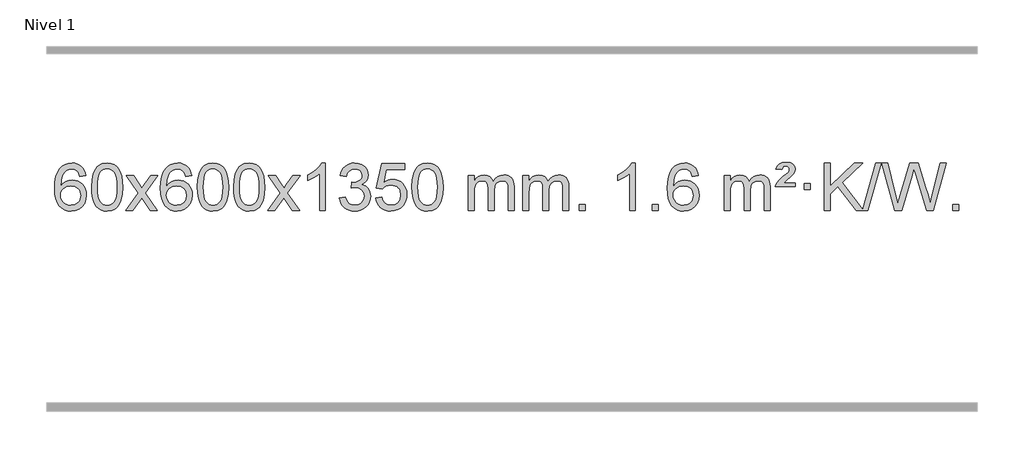
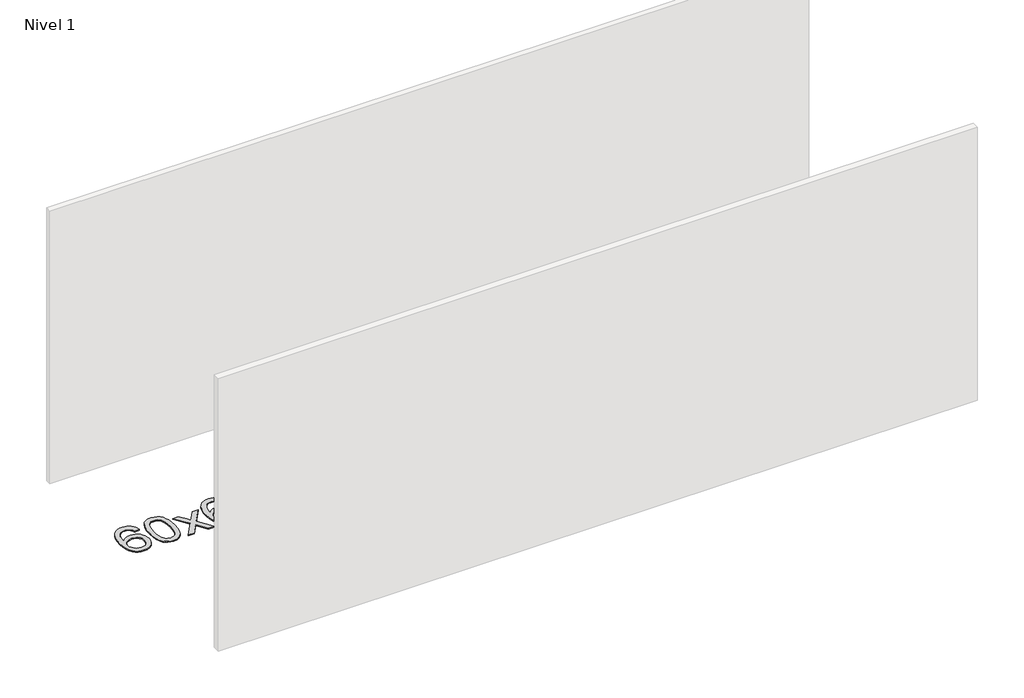
# One storey, part 7 of 8: 1 proxy.
"""IFC4 building model written with IfcOpenShell, lengths in millimetres."""

from ifc_helpers import new_model, si_unit, origin, origin_with_axes, place, context, project, spatial, polyline, outline, extrude, element, save

model = new_model("IFC4")

# Units and contexts
model_context = context("Model", 3, world=origin())
ifc_project = project(units=[si_unit("LENGTHUNIT", "METRE", prefix="MILLI")], contexts=[model_context])

# Site, building, storey
site = spatial("IfcSite", under=ifc_project)
building = spatial("IfcBuilding", under=site)
storey = spatial("IfcBuildingStorey", under=building, Name="Nivel 1", Elevation=0.0)

# Proxy
placement = place(None, origin())
element("IfcBuildingElementProxy", 1, Name="Texto de modelo 1", ObjectType="Texto de modelo 1", at=placement, inside=storey, context=model_context, shape_type="SweptSolid", body=[
    extrude(outline(polyline([(101.2495843, -96.4890419), (51.0214292, -102.7675613), (42.9280253, -77.874213), (31.9896673, -60.8780648), (9.2055091, -45.2062918), (-18.3365896, -39.9823675), (-41.6848336, -43.0235253), (-63.6596514, -52.1469988), (-82.5319978, -71.3627017), (-97.9462534, -97.8134171), (-108.3573138, -135.227016), (-112.2200748, -187.3313693), (-92.0724042, -163.8237098), (-67.9270826, -147.2567573), (-41.1330106, -137.434308), (-13.0390889, -134.1601582), (11.09397, -136.398107), (33.3630935, -143.1119534), (53.7682815, -154.3016975), (72.309534, -169.9673391), (87.7176582, -189.1769106), (98.7234613, -210.9984443), (105.3269431, -235.4319401), (107.5281037, -262.4773982), (103.3832999, -298.4439945), (90.9488884, -331.786366), (71.254939, -360.0642287), (45.331521, -380.8372987), (14.355857, -393.602804), (-20.4948306, -397.8579724), (-50.4373594, -395.0375437), (-77.4797517, -386.5762579), (-101.6220076, -372.4741147), (-122.8641272, -352.7311143), (-140.1821721, -326.5133908), (-152.5522042, -292.9870783), (-159.9742234, -252.1521768), (-162.4482298, -204.0086864), (-159.7013776, -150.0342663), (-151.4608209, -103.9693092), (-137.7265598, -65.8138149), (-118.4985942, -35.5677835), (-97.6580791, -15.5243462), (-73.4943634, -1.2076052), (-46.007447, 7.3824394), (-15.1973299, 10.2457876), (7.9363162, 8.4738227), (28.8749331, 3.1579278), (47.6185208, -5.7018969), (64.1670792, -18.1056515), (78.0730186, -33.6364031), (88.8887493, -51.8772186), (96.6142712, -72.8280983), (101.2495843, -96.4890419)]), holes=[polyline([(-112.2200748, -261.6925832), (-109.313807, -283.9494439), (-100.5950037, -305.2007605), (-87.0569463, -323.472233), (-69.6929161, -336.7895612), (-48.7359051, -344.9197533), (-24.4189053, -347.6298173), (8.7272625, -342.0134855), (22.642399, -334.9930708), (34.7855705, -325.1644901), (44.6356109, -312.9262824), (51.6713541, -298.6769865), (57.2999486, -264.1451299), (51.7449305, -230.9989621), (44.8011578, -217.3781312), (35.0798761, -205.725469), (22.8999164, -196.3904634), (8.5801097, -189.7226022), (-26.4790444, -184.3883133), (-59.5761613, -189.7226022), (-87.25315, -205.725469), (-98.1761796, -217.2248471), (-105.9783436, -230.3858254), (-110.659642, -245.2084042), (-112.2200748, -261.6925832)])]), origin_with_axes(), (0.0, 0.0, 1.0), 10.0),
    extrude(outline(polyline([(151.4777394, -193.9041943), (155.1688221, -129.5861588), (166.2420701, -78.2911459), (184.5871189, -39.2343407), (196.4451819, -24.0009605), (210.0936039, -11.6309284), (225.5783702, -2.0598651), (242.9454661, 4.7766086), (283.3266464, 10.2457876), (314.277785, 7.008426), (341.9915619, -2.7036586), (365.1681276, -18.5103217), (382.5076323, -40.0314184), (395.6042314, -67.0830078), (406.05208, -99.4811488), (412.8946851, -140.6226186), (415.1755535, -193.9041943), (411.521259, -257.8543477), (400.5583756, -309.0267333), (382.3236913, -348.1203266), (370.4932195, -363.3996922), (356.8539945, -375.8341036), (341.3508341, -385.4695462), (323.928556, -392.3520052), (283.3266464, -397.8579724), (255.6619204, -395.4667394), (231.1364541, -388.2930405), (209.7502474, -376.3368757), (191.5033004, -359.5982449), (173.9921175, -329.3399508), (161.4841296, -291.6381776), (153.9793369, -246.4929255), (151.4777394, -193.9041943)]), holes=[polyline([(201.7058944, -193.8060924), (203.1774224, -237.4706195), (207.5920064, -272.8148822), (214.9496463, -299.8388804), (225.2503421, -318.5426142), (237.709279, -331.2682656), (251.5416421, -340.3580165), (266.7474312, -345.8118671), (283.3266464, -347.6298173), (299.9058617, -345.8057357), (315.1116508, -340.3334911), (328.9440138, -331.2130833), (341.4029507, -318.4445124), (351.7036466, -299.7101217), (359.0612865, -272.6922549), (363.4758705, -237.3909118), (364.9473984, -193.8060924), (363.5249214, -151.2973278), (359.2574902, -116.5753989), (352.145105, -89.6403055), (342.1877657, -70.4920476), (329.9372952, -57.1440625), (315.9455167, -47.6097875), (300.21243, -41.8892225), (282.7380352, -39.9823675), (266.2446591, -41.6623619), (251.2963874, -46.7023452), (237.89322, -55.1023175), (226.0351571, -66.8622786), (215.3911047, -87.708925), (207.7882101, -115.8151094), (203.2264734, -151.1808319), (201.7058944, -193.8060924)])]), origin_with_axes(), (0.0, 0.0, 1.0), 10.0),
    extrude(outline(polyline([(440.2896311, -391.579453), (547.6130718, -243.2494325), (446.5681504, -96.4890419), (506.9988995, -96.4890419), (555.7555266, -167.122385), (578.5151594, -200.4770192), (598.2336343, -173.2047007), (653.7592901, -96.4890419), (714.1900392, -96.4890419), (608.0438209, -243.2494325), (710.2659646, -391.579453), (649.8352155, -391.579453), (588.3253459, -302.4048574), (577.0436314, -286.1199477), (500.7203801, -391.579453), (440.2896311, -391.579453)])), origin_with_axes(), (0.0, 0.0, 1.0), 10.0),
    extrude(outline(polyline([(999.0778563, -96.4890419), (948.8497012, -102.7675613), (940.7562973, -77.874213), (929.8179393, -60.8780648), (907.0337811, -45.2062918), (879.4916824, -39.9823675), (856.1434384, -43.0235253), (834.1686206, -52.1469988), (815.2962742, -71.3627017), (799.8820186, -97.8134171), (789.4709581, -135.227016), (785.6081972, -187.3313693), (805.7558678, -163.8237098), (829.9011894, -147.2567573), (856.6952614, -137.434308), (884.7891831, -134.1601582), (908.922242, -136.398107), (931.1913654, -143.1119534), (951.5965534, -154.3016975), (970.137806, -169.9673391), (985.5459302, -189.1769106), (996.5517332, -210.9984443), (1003.155215, -235.4319401), (1005.3563756, -262.4773982), (1001.2115718, -298.4439945), (988.7771604, -331.786366), (969.0832109, -360.0642287), (943.159793, -380.8372987), (912.184129, -393.602804), (877.3334413, -397.8579724), (847.3909126, -395.0375437), (820.3485203, -386.5762579), (796.2062643, -372.4741147), (774.9641448, -352.7311143), (757.6460999, -326.5133908), (745.2760678, -292.9870783), (737.8540485, -252.1521768), (735.3800421, -204.0086864), (738.1268943, -150.0342663), (746.367451, -103.9693092), (760.1017122, -65.8138149), (779.3296778, -35.5677835), (800.1701928, -15.5243462), (824.3339085, -1.2076052), (851.820825, 7.3824394), (882.6309421, 10.2457876), (905.7645882, 8.4738227), (926.7032051, 3.1579278), (945.4467927, -5.7018969), (961.9953511, -18.1056515), (975.9012906, -33.6364031), (986.7170212, -51.8772186), (994.4425431, -72.8280983), (999.0778563, -96.4890419)]), holes=[polyline([(785.6081972, -261.6925832), (788.514465, -283.9494439), (797.2332682, -305.2007605), (810.7713257, -323.472233), (828.1353558, -336.7895612), (849.0923668, -344.9197533), (873.4093667, -347.6298173), (906.5555345, -342.0134855), (920.4706709, -334.9930708), (932.6138425, -325.1644901), (942.4638829, -312.9262824), (949.499626, -298.6769865), (955.1282206, -264.1451299), (949.5732024, -230.9989621), (942.6294298, -217.3781312), (932.9081481, -205.725469), (920.7281883, -196.3904634), (906.4083817, -189.7226022), (871.3492275, -184.3883133), (838.2521107, -189.7226022), (810.5751219, -205.725469), (799.6520924, -217.2248471), (791.8499284, -230.3858254), (787.16863, -245.2084042), (785.6081972, -261.6925832)])]), origin_with_axes(), (0.0, 0.0, 1.0), 10.0),
    extrude(outline(polyline([(1049.3060113, -193.9041943), (1052.997094, -129.5861588), (1064.0703421, -78.2911459), (1082.4153909, -39.2343407), (1094.2734539, -24.0009605), (1107.9218759, -11.6309284), (1123.4066422, -2.0598651), (1140.7737381, 4.7766086), (1181.1549184, 10.2457876), (1212.1060569, 7.008426), (1239.8198339, -2.7036586), (1262.9963996, -18.5103217), (1280.3359043, -40.0314184), (1293.4325033, -67.0830078), (1303.880352, -99.4811488), (1310.7229571, -140.6226186), (1313.0038255, -193.9041943), (1309.349531, -257.8543477), (1298.3866475, -309.0267333), (1280.1519633, -348.1203266), (1268.3214915, -363.3996922), (1254.6822665, -375.8341036), (1239.1791061, -385.4695462), (1221.7568279, -392.3520052), (1181.1549184, -397.8579724), (1153.4901924, -395.4667394), (1128.964726, -388.2930405), (1107.5785194, -376.3368757), (1089.3315724, -359.5982449), (1071.8203894, -329.3399508), (1059.3124016, -291.6381776), (1051.8076089, -246.4929255), (1049.3060113, -193.9041943)]), holes=[polyline([(1099.5341664, -193.8060924), (1101.0056944, -237.4706195), (1105.4202783, -272.8148822), (1112.7779182, -299.8388804), (1123.0786141, -318.5426142), (1135.537551, -331.2682656), (1149.369914, -340.3580165), (1164.5757032, -345.8118671), (1181.1549184, -347.6298173), (1197.7341337, -345.8057357), (1212.9399228, -340.3334911), (1226.7722858, -331.2130833), (1239.2312227, -318.4445124), (1249.5319186, -299.7101217), (1256.8895585, -272.6922549), (1261.3041424, -237.3909118), (1262.7756704, -193.8060924), (1261.3531934, -151.2973278), (1257.0857622, -116.5753989), (1249.973377, -89.6403055), (1240.0160376, -70.4920476), (1227.7655672, -57.1440625), (1213.7737886, -47.6097875), (1198.040702, -41.8892225), (1180.5663072, -39.9823675), (1164.0729311, -41.6623619), (1149.1246594, -46.7023452), (1135.721492, -55.1023175), (1123.863429, -66.8622786), (1113.2193766, -87.708925), (1105.6164821, -115.8151094), (1101.0547453, -151.1808319), (1099.5341664, -193.8060924)])]), origin_with_axes(), (0.0, 0.0, 1.0), 10.0),
    extrude(outline(polyline([(1356.9534612, -193.9041943), (1360.6445439, -129.5861588), (1371.7177919, -78.2911459), (1390.0628407, -39.2343407), (1401.9209037, -24.0009605), (1415.5693257, -11.6309284), (1431.054092, -2.0598651), (1448.4211879, 4.7766086), (1488.8023682, 10.2457876), (1519.7535068, 7.008426), (1547.4672837, -2.7036586), (1570.6438494, -18.5103217), (1587.9833541, -40.0314184), (1601.0799532, -67.0830078), (1611.5278018, -99.4811488), (1618.3704069, -140.6226186), (1620.6512753, -193.9041943), (1616.9969808, -257.8543477), (1606.0340974, -309.0267333), (1587.7994131, -348.1203266), (1575.9689413, -363.3996922), (1562.3297163, -375.8341036), (1546.8265559, -385.4695462), (1529.4042778, -392.3520052), (1488.8023682, -397.8579724), (1461.1376422, -395.4667394), (1436.6121759, -388.2930405), (1415.2259692, -376.3368757), (1396.9790222, -359.5982449), (1379.4678393, -329.3399508), (1366.9598514, -291.6381776), (1359.4550587, -246.4929255), (1356.9534612, -193.9041943)]), holes=[polyline([(1407.1816162, -193.8060924), (1408.6531442, -237.4706195), (1413.0677282, -272.8148822), (1420.4253681, -299.8388804), (1430.7260639, -318.5426142), (1443.1850008, -331.2682656), (1457.0173639, -340.3580165), (1472.223153, -345.8118671), (1488.8023682, -347.6298173), (1505.3815835, -345.8057357), (1520.5873726, -340.3334911), (1534.4197356, -331.2130833), (1546.8786725, -318.4445124), (1557.1793684, -299.7101217), (1564.5370083, -272.6922549), (1568.9515923, -237.3909118), (1570.4231202, -193.8060924), (1569.0006432, -151.2973278), (1564.733212, -116.5753989), (1557.6208268, -89.6403055), (1547.6634875, -70.4920476), (1535.413017, -57.1440625), (1521.4212385, -47.6097875), (1505.6881518, -41.8892225), (1488.213757, -39.9823675), (1471.7203809, -41.6623619), (1456.7721092, -46.7023452), (1443.3689418, -55.1023175), (1431.5108789, -66.8622786), (1420.8668265, -87.708925), (1413.2639319, -115.8151094), (1408.7021952, -151.1808319), (1407.1816162, -193.8060924)])]), origin_with_axes(), (0.0, 0.0, 1.0), 10.0),
    extrude(outline(polyline([(1645.7653528, -391.579453), (1753.0887936, -243.2494325), (1652.0438722, -96.4890419), (1712.4746213, -96.4890419), (1761.2312484, -167.122385), (1783.9908812, -200.4770192), (1803.7093561, -173.2047007), (1859.2350119, -96.4890419), (1919.665761, -96.4890419), (1813.5195426, -243.2494325), (1915.7416864, -391.579453), (1855.3109373, -391.579453), (1793.8010677, -302.4048574), (1782.5193532, -286.1199477), (1706.1961019, -391.579453), (1645.7653528, -391.579453)])), origin_with_axes(), (0.0, 0.0, 1.0), 10.0),
    extrude(outline(polyline([(2135.4898648, -391.579453), (2085.2617098, -391.579453), (2085.2617098, -78.4382987), (2064.292436, -95.3976587), (2037.682305, -112.3324932), (1984.8053996, -137.6918254), (1984.8053996, -90.2105225), (2024.2546122, -68.7507395), (2058.4308496, -43.219729), (2085.3720743, -16.0700378), (2103.1162492, 10.2457876), (2135.4898648, 10.2457876), (2135.4898648, -391.579453)])), origin_with_axes(), (0.0, 0.0, 1.0), 10.0),
    extrude(outline(polyline([(2254.7817331, -284.8446235), (2305.0098882, -278.5661041), (2316.2548145, -310.1303793), (2332.7236652, -331.4430095), (2355.2257805, -343.5831154), (2384.570501, -347.6298173), (2419.0042558, -342.0625364), (2433.2780772, -335.1034354), (2445.5898613, -325.3606939), (2462.5860095, -300.4428201), (2468.2513922, -270.2274455), (2462.6350604, -241.5449126), (2445.786065, -218.2825078), (2420.27958, -202.8682522), (2388.6907794, -197.730167), (2353.4722097, -203.2238715), (2359.064016, -152.9957164), (2367.108369, -153.5843276), (2397.2011162, -149.979084), (2424.1055528, -139.1633534), (2435.1788008, -130.9841103), (2443.0882637, -120.8673555), (2447.8339415, -108.8130888), (2449.415834, -94.8213102), (2444.8295718, -73.1285352), (2431.0707852, -55.5315131), (2410.076986, -43.8696539), (2383.7856861, -39.9823675), (2357.4453352, -43.9064421), (2335.9119758, -55.6786659), (2320.1911519, -75.299039), (2311.2884076, -102.7675613), (2261.0602525, -96.4890419), (2267.0138095, -72.5092672), (2275.8491087, -51.3867093), (2287.5661503, -33.1213683), (2302.1649341, -17.713244), (2319.1856078, -5.4811677), (2338.1683187, 3.2560297), (2359.113067, 8.4983481), (2382.0198525, 10.2457876), (2413.5963904, 6.7999596), (2442.5977544, -3.5375245), (2467.0496443, -19.8469596), (2484.9777602, -41.2086408), (2495.9774319, -65.8199463), (2499.6439891, -91.8782543), (2496.1613729, -116.1584659), (2485.7135242, -138.1823347), (2468.4475959, -156.9443165), (2444.5107408, -171.4388671), (2475.9523886, -184.1430586), (2499.2515817, -205.77452), (2513.6725559, -235.1560286), (2518.4795473, -271.1103623), (2516.0760516, -296.5923218), (2508.8655645, -320.0631931), (2496.848086, -341.5229762), (2480.023616, -360.971671), (2459.5264575, -377.1094278), (2436.4909133, -388.636397), (2410.9169832, -395.5525785), (2382.8046674, -397.8579724), (2357.3962843, -395.8898037), (2334.2442441, -389.9852977), (2313.3485468, -380.1444543), (2294.7091923, -366.3672736), (2279.0803389, -349.4630959), (2267.2161446, -330.2412617), (2259.1166093, -308.7017708), (2254.7817331, -284.8446235)])), origin_with_axes(), (0.0, 0.0, 1.0), 10.0),
    extrude(outline(polyline([(2562.429183, -284.8446235), (2612.657338, -278.5661041), (2621.8789134, -308.7201649), (2637.9676193, -330.3148381), (2660.8498794, -343.3010725), (2690.4521173, -347.6298173), (2709.581981, -346.1245668), (2726.4555019, -341.6088153), (2741.0726798, -334.0825628), (2753.4335149, -323.5458094), (2763.2620955, -310.519721), (2770.2825102, -295.5254641), (2775.898842, -259.6324441), (2770.6381295, -225.8363514), (2764.0622388, -211.9181493), (2754.8559919, -199.9865099), (2742.9887319, -190.4154467), (2728.4298019, -183.5789729), (2691.2369322, -178.1097939), (2666.8708814, -180.2925604), (2647.1401437, -186.8408599), (2631.3825316, -196.8717757), (2618.9358574, -209.5023908), (2568.7077023, -203.2238715), (2612.657338, 3.9672682), (2807.291439, 3.9672682), (2807.291439, -46.2608869), (2653.2715103, -46.2608869), (2631.7872018, -156.919791), (2649.5129826, -144.2155994), (2667.667959, -135.1411769), (2686.2521312, -129.6965234), (2705.265499, -127.8816388), (2729.726586, -130.1318504), (2752.1949788, -136.882485), (2772.6706775, -148.1335427), (2791.1536821, -163.8850234), (2806.4545074, -183.1743027), (2817.3836684, -205.038756), (2823.9411649, -229.4783832), (2826.1269971, -256.4931844), (2824.1588284, -282.5147042), (2818.2543224, -306.7213394), (2808.413479, -329.1130902), (2794.6362983, -349.6899565), (2773.7651265, -370.7634634), (2749.4113384, -385.8159684), (2721.5749341, -394.8474714), (2690.2559136, -397.8579724), (2664.3355613, -395.9235262), (2640.922938, -390.1201877), (2620.0180436, -380.447957), (2601.6208782, -366.9068338), (2586.3139215, -350.1712688), (2574.6796534, -330.915712), (2566.7180739, -309.1401636), (2562.429183, -284.8446235)])), origin_with_axes(), (0.0, 0.0, 1.0), 10.0),
    extrude(outline(polyline([(2870.0766328, -193.9041943), (2873.7677155, -129.5861588), (2884.8409635, -78.2911459), (2903.1860124, -39.2343407), (2915.0440753, -24.0009605), (2928.6924974, -11.6309284), (2944.1772637, -2.0598651), (2961.5443595, 4.7766086), (3001.9255399, 10.2457876), (3032.8766784, 7.008426), (3060.5904554, -2.7036586), (3083.7670211, -18.5103217), (3101.1065258, -40.0314184), (3114.2031248, -67.0830078), (3124.6509735, -99.4811488), (3131.4935786, -140.6226186), (3133.7744469, -193.9041943), (3130.1201525, -257.8543477), (3119.157269, -309.0267333), (3100.9225848, -348.1203266), (3089.0921129, -363.3996922), (3075.452888, -375.8341036), (3059.9497276, -385.4695462), (3042.5274494, -392.3520052), (3001.9255399, -397.8579724), (2974.2608138, -395.4667394), (2949.7353475, -388.2930405), (2928.3491408, -376.3368757), (2910.1021939, -359.5982449), (2892.5910109, -329.3399508), (2880.0830231, -291.6381776), (2872.5782304, -246.4929255), (2870.0766328, -193.9041943)]), holes=[polyline([(2920.3047879, -193.8060924), (2921.7763158, -237.4706195), (2926.1908998, -272.8148822), (2933.5485397, -299.8388804), (2943.8492356, -318.5426142), (2956.3081725, -331.2682656), (2970.1405355, -340.3580165), (2985.3463246, -345.8118671), (3001.9255399, -347.6298173), (3018.5047551, -345.8057357), (3033.7105442, -340.3334911), (3047.5429073, -331.2130833), (3060.0018442, -318.4445124), (3070.30254, -299.7101217), (3077.6601799, -272.6922549), (3082.0747639, -237.3909118), (3083.5462919, -193.8060924), (3082.1238148, -151.2973278), (3077.8563837, -116.5753989), (3070.7439984, -89.6403055), (3060.7866591, -70.4920476), (3048.5361887, -57.1440625), (3034.5444101, -47.6097875), (3018.8113234, -41.8892225), (3001.3369287, -39.9823675), (2984.8435526, -41.6623619), (2969.8952808, -46.7023452), (2956.4921135, -55.1023175), (2944.6340505, -66.8622786), (2933.9899981, -87.708925), (2926.3871035, -115.8151094), (2921.8253668, -151.1808319), (2920.3047879, -193.8060924)])]), origin_with_axes(), (0.0, 0.0, 1.0), 10.0),
    extrude(outline(polyline([(3347.244106, -391.579453), (3347.244106, -96.4890419), (3397.4722611, -96.4890419), (3397.4722611, -145.0494653), (3412.5799483, -122.7435537), (3432.0041177, -105.2691589), (3455.0825815, -93.9751816), (3481.1531522, -90.2105225), (3509.0876584, -94.048758), (3531.4794092, -105.5634645), (3548.2057772, -123.9943524), (3559.1441352, -148.5811324), (3577.4523959, -123.0439906), (3598.3358304, -104.803175), (3621.794439, -93.8586857), (3647.8282215, -90.2105225), (3667.9360383, -91.7280358), (3685.585177, -96.2805755), (3700.7756377, -103.8681416), (3713.5074204, -114.4907342), (3723.5720587, -128.2709806), (3730.761086, -145.3315082), (3735.0745024, -165.6723168), (3736.5123078, -189.2934066), (3736.5123078, -391.579453), (3686.2841528, -391.579453), (3686.2841528, -210.875817), (3685.1191931, -185.8230531), (3681.6243142, -168.9372695), (3675.0760146, -157.3735121), (3664.7507933, -148.2868268), (3651.4702533, -142.4007149), (3636.0559977, -140.4386776), (3608.8449928, -145.4663982), (3586.6617085, -160.54956), (3578.0563355, -172.1194488), (3571.9096405, -186.7182326), (3566.9922845, -225.0024856), (3566.9922845, -391.579453), (3516.7641294, -391.579453), (3516.7641294, -205.2840106), (3513.8578616, -176.8835206), (3505.1390583, -156.6254854), (3489.7983791, -144.4853796), (3467.0264836, -140.4386776), (3447.6758907, -143.1364789), (3429.8458767, -151.2298828), (3415.1305968, -164.5226856), (3405.1242066, -182.8186835), (3399.3852475, -208.2025411), (3397.4722611, -242.7589232), (3397.4722611, -391.579453), (3347.244106, -391.579453)])), origin_with_axes(), (0.0, 0.0, 1.0), 10.0),
    extrude(outline(polyline([(3811.8545404, -391.579453), (3811.8545404, -96.4890419), (3862.0826955, -96.4890419), (3862.0826955, -145.0494653), (3877.1903828, -122.7435537), (3896.6145521, -105.2691589), (3919.693016, -93.9751816), (3945.7635867, -90.2105225), (3973.6980929, -94.048758), (3996.0898436, -105.5634645), (4012.8162117, -123.9943524), (4023.7545697, -148.5811324), (4042.0628303, -123.0439906), (4062.9462649, -104.803175), (4086.4048734, -93.8586857), (4112.438656, -90.2105225), (4132.5464727, -91.7280358), (4150.1956114, -96.2805755), (4165.3860721, -103.8681416), (4178.1178548, -114.4907342), (4188.1824931, -128.2709806), (4195.3715204, -145.3315082), (4199.6849368, -165.6723168), (4201.1227423, -189.2934066), (4201.1227423, -391.579453), (4150.8945872, -391.579453), (4150.8945872, -210.875817), (4149.7296276, -185.8230531), (4146.2347486, -168.9372695), (4139.6864491, -157.3735121), (4129.3612278, -148.2868268), (4116.0806877, -142.4007149), (4100.6664321, -140.4386776), (4073.4554272, -145.4663982), (4051.2721429, -160.54956), (4042.6667699, -172.1194488), (4036.5200749, -186.7182326), (4031.6027189, -225.0024856), (4031.6027189, -391.579453), (3981.3745638, -391.579453), (3981.3745638, -205.2840106), (3978.4682961, -176.8835206), (3969.7494928, -156.6254854), (3954.4088136, -144.4853796), (3931.6369181, -140.4386776), (3912.2863251, -143.1364789), (3894.4563111, -151.2298828), (3879.7410313, -164.5226856), (3869.734641, -182.8186835), (3863.9956819, -208.2025411), (3862.0826955, -242.7589232), (3862.0826955, -391.579453), (3811.8545404, -391.579453)])), origin_with_axes(), (0.0, 0.0, 1.0), 10.0),
    extrude(outline(polyline([(4289.0220137, -391.579453), (4289.0220137, -341.3512979), (4339.2501687, -341.3512979), (4339.2501687, -391.579453), (4289.0220137, -391.579453)])), origin_with_axes(), (0.0, 0.0, 1.0), 10.0),
    extrude(outline(polyline([(4766.1894869, -391.579453), (4715.9613318, -391.579453), (4715.9613318, -78.4382987), (4694.9920581, -95.3976587), (4668.3819271, -112.3324932), (4615.5050216, -137.6918254), (4615.5050216, -90.2105225), (4654.9542343, -68.7507395), (4689.1304716, -43.219729), (4716.0716964, -16.0700378), (4733.8158713, 10.2457876), (4766.1894869, 10.2457876), (4766.1894869, -391.579453)])), origin_with_axes(), (0.0, 0.0, 1.0), 10.0),
    extrude(outline(polyline([(4910.5954327, -391.579453), (4910.5954327, -341.3512979), (4960.8235878, -341.3512979), (4960.8235878, -391.579453), (4910.5954327, -391.579453)])), origin_with_axes(), (0.0, 0.0, 1.0), 10.0),
    extrude(outline(polyline([(5299.8636345, -96.4890419), (5249.6354795, -102.7675613), (5241.5420756, -77.874213), (5230.6037176, -60.8780648), (5207.8195593, -45.2062918), (5180.2774606, -39.9823675), (5156.9292167, -43.0235253), (5134.9543988, -52.1469988), (5116.0820525, -71.3627017), (5100.6677969, -97.8134171), (5090.2567364, -135.227016), (5086.3939755, -187.3313693), (5106.5416461, -163.8237098), (5130.6869677, -147.2567573), (5157.4810397, -137.434308), (5185.5749614, -134.1601582), (5209.7080203, -136.398107), (5231.9771437, -143.1119534), (5252.3823317, -154.3016975), (5270.9235843, -169.9673391), (5286.3317085, -189.1769106), (5297.3375115, -210.9984443), (5303.9409933, -235.4319401), (5306.1421539, -262.4773982), (5301.9973501, -298.4439945), (5289.5629387, -331.786366), (5269.8689892, -360.0642287), (5243.9455713, -380.8372987), (5212.9699073, -393.602804), (5178.1192196, -397.8579724), (5148.1766909, -395.0375437), (5121.1342985, -386.5762579), (5096.9920426, -372.4741147), (5075.7499231, -352.7311143), (5058.4318782, -326.5133908), (5046.0618461, -292.9870783), (5038.6398268, -252.1521768), (5036.1658204, -204.0086864), (5038.9126726, -150.0342663), (5047.1532293, -103.9693092), (5060.8874905, -65.8138149), (5080.1154561, -35.5677835), (5100.9559711, -15.5243462), (5125.1196868, -1.2076052), (5152.6066032, 7.3824394), (5183.4167203, 10.2457876), (5206.5503665, 8.4738227), (5227.4889834, 3.1579278), (5246.232571, -5.7018969), (5262.7811294, -18.1056515), (5276.6870688, -33.6364031), (5287.5027995, -51.8772186), (5295.2283214, -72.8280983), (5299.8636345, -96.4890419)]), holes=[polyline([(5086.3939755, -261.6925832), (5089.3002432, -283.9494439), (5098.0190465, -305.2007605), (5111.5571039, -323.472233), (5128.9211341, -336.7895612), (5149.8781451, -344.9197533), (5174.195145, -347.6298173), (5207.3413128, -342.0134855), (5221.2564492, -334.9930708), (5233.3996207, -325.1644901), (5243.2496612, -312.9262824), (5250.2854043, -298.6769865), (5255.9139988, -264.1451299), (5250.3589807, -230.9989621), (5243.4152081, -217.3781312), (5233.6939263, -205.725469), (5221.5139666, -196.3904634), (5207.19416, -189.7226022), (5172.1350058, -184.3883133), (5139.037889, -189.7226022), (5111.3609002, -205.725469), (5100.4378706, -217.2248471), (5092.6357067, -230.3858254), (5087.9544083, -245.2084042), (5086.3939755, -261.6925832)])]), origin_with_axes(), (0.0, 0.0, 1.0), 10.0),
    extrude(outline(polyline([(5519.611813, -391.579453), (5519.611813, -96.4890419), (5569.8399681, -96.4890419), (5569.8399681, -145.0494653), (5584.9476553, -122.7435537), (5604.3718247, -105.2691589), (5627.4502885, -93.9751816), (5653.5208592, -90.2105225), (5681.4553654, -94.048758), (5703.8471162, -105.5634645), (5720.5734842, -123.9943524), (5731.5118422, -148.5811324), (5749.8201028, -123.0439906), (5770.7035374, -104.803175), (5794.162146, -93.8586857), (5820.1959285, -90.2105225), (5840.3037452, -91.7280358), (5857.952884, -96.2805755), (5873.1433447, -103.8681416), (5885.8751274, -114.4907342), (5895.9397656, -128.2709806), (5903.128793, -145.3315082), (5907.4422094, -165.6723168), (5908.8800148, -189.2934066), (5908.8800148, -391.579453), (5858.6518597, -391.579453), (5858.6518597, -210.875817), (5857.4869001, -185.8230531), (5853.9920211, -168.9372695), (5847.4437216, -157.3735121), (5837.1185003, -148.2868268), (5823.8379603, -142.4007149), (5808.4237047, -140.4386776), (5781.2126998, -145.4663982), (5759.0294155, -160.54956), (5750.4240424, -172.1194488), (5744.2773474, -186.7182326), (5739.3599914, -225.0024856), (5739.3599914, -391.579453), (5689.1318364, -391.579453), (5689.1318364, -205.2840106), (5686.2255686, -176.8835206), (5677.5067653, -156.6254854), (5662.1660861, -144.4853796), (5639.3941906, -140.4386776), (5620.0435977, -143.1364789), (5602.2135836, -151.2298828), (5587.4983038, -164.5226856), (5577.4919136, -182.8186835), (5571.7529544, -208.2025411), (5569.8399681, -242.7589232), (5569.8399681, -391.579453), (5519.611813, -391.579453)])), origin_with_axes(), (0.0, 0.0, 1.0), 10.0),
    extrude(outline(polyline([(5952.8296505, -190.6668327), (5956.6556233, -174.8479069), (5964.9942818, -158.9799302), (5986.5031158, -133.8413272), (6018.4597984, -106.1030247), (6062.6056379, -68.726214), (6069.7425486, -57.1992448), (6072.1215188, -45.3779701), (6070.2330579, -33.2869152), (6064.5676752, -23.5012541), (6055.198947, -17.026531), (6042.2004499, -14.8682899), (6029.7660384, -16.4869707), (6020.9123451, -21.343013), (6014.4866729, -30.8098431), (6009.336325, -46.2608869), (5959.1081699, -39.9823675), (5969.948426, -14.7701881), (5986.5766922, 2.7900458), (6010.3418691, 13.0907417), (6042.5928573, 16.524307), (6078.3755127, 12.3917659), (6103.1217083, -0.0058573), (6117.5426825, -18.3386434), (6122.3496739, -40.2766731), (6118.253921, -63.1834586), (6105.9666624, -84.8149199), (6085.438847, -104.6314968), (6048.9694786, -132.6886303), (6023.3648917, -159.2742358), (6122.3496739, -159.2742358), (6122.3496739, -190.6668327), (5952.8296505, -190.6668327)])), origin_with_axes(), (0.0, 0.0, 1.0), 10.0),
    extrude(outline(polyline([(6197.6919065, -215.7809102), (6197.6919065, -165.5527552), (6247.9200616, -165.5527552), (6247.9200616, -215.7809102), (6197.6919065, -215.7809102)])), origin_with_axes(), (0.0, 0.0, 1.0), 10.0),
    extrude(outline(polyline([(6638.5616895, -391.579453), (6485.1303721, -188.9009991), (6417.440085, -253.4520265), (6417.440085, -391.579453), (6367.2119299, -391.579453), (6367.2119299, 10.2457876), (6417.440085, 10.2457876), (6417.440085, -186.4484525), (6623.4540023, 10.2457876), (6693.6949379, 10.2457876), (6520.7413492, -154.9577537), (6695.3949591, -385.5349332), (6806.7082868, 10.2457876), (6852.0313486, 10.2457876), (6739.0179997, -391.579453), (6699.9734572, -391.579453), (6693.6949379, -391.579453), (6638.5616895, -391.579453)])), origin_with_axes(), (0.0, 0.0, 1.0), 10.0),
    extrude(outline(polyline([(6966.5162255, -391.579453), (6856.9364419, 10.2457876), (6908.7342268, 10.2457876), (6972.3042355, -253.844434), (6991.9246086, -335.3670841), (7012.9184078, -263.2622131), (7092.5771225, 10.2457876), (7167.2326421, 10.2457876), (7225.1127426, -188.0180823), (7249.9079891, -261.5944814), (7268.1794615, -335.3670841), (7287.2112234, -256.1988788), (7351.3698434, 10.2457876), (7403.1676283, 10.2457876), (7293.4897428, -391.579453), (7239.8280224, -391.579453), (7143.4919906, -81.5775584), (7130.0520351, -38.3146358), (7114.9443478, -90.4067263), (7027.1431783, -391.579453), (6966.5162255, -391.579453)])), origin_with_axes(), (0.0, 0.0, 1.0), 10.0),
    extrude(outline(polyline([(7459.6743028, -391.579453), (7459.6743028, -341.3512979), (7509.9024578, -341.3512979), (7509.9024578, -391.579453), (7459.6743028, -391.579453)])), origin_with_axes(), (0.0, 0.0, 1.0), 10.0),
])

save(model, "model.ifc")
